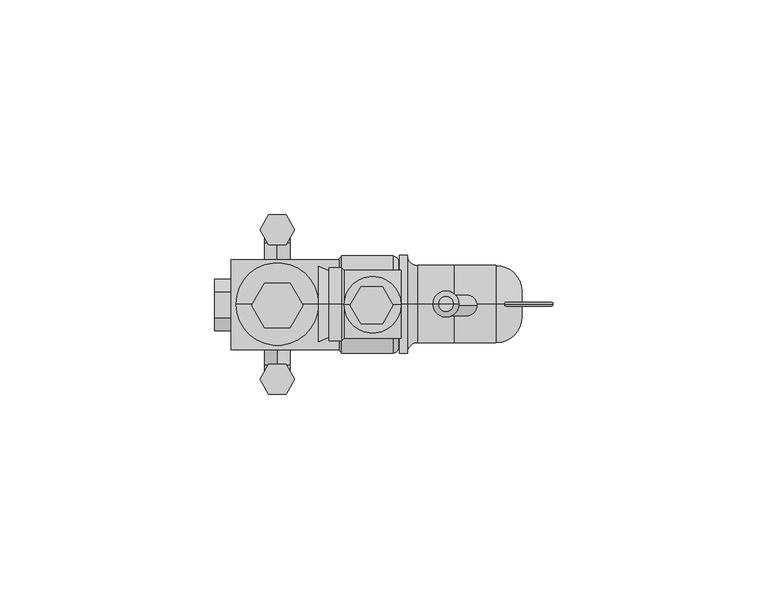
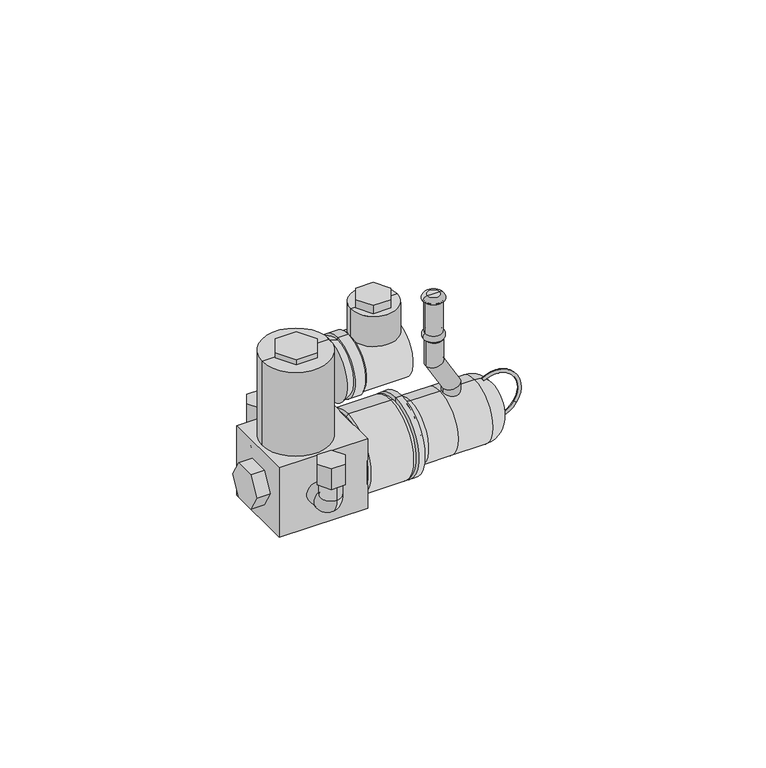
"""IFC4 building model written with IfcOpenShell, lengths in millimetres: proxy geometry."""

from ifc_helpers import new_model, si_unit, point, frame, origin, place, context, project, spatial, polyline, circle_curve, ellipse_curve, trimmed, outline, extrude, source, transform, mapped, element, save
from ifc_brep_helpers import plane_surface, cylinder_surface, revolved_surface, advanced_brep


def specialty_equipment_60c017ea(model_context):
    return source(origin(), model_context, "Body", "SolidModel", [
        extrude(outline(polyline([(-32.5479454, -17.3680626), (-30.5272194, -13.8680626), (-26.4857676, -13.8680626), (-24.4650416, -17.3680626), (-26.4857676, -20.8680626), (-30.5272194, -20.8680626), (-32.5479454, -17.3680626)])), frame((0.0, 0.0, 18.5529627), z_axis=(0.0, 0.0, 1.0), x_axis=(1.0, 0.0, 0.0)), (0.0, 0.0, 1.0), 6.2413137),
        extrude(outline(polyline([(-32.5479454, 17.4924919), (-30.5272194, 20.9924919), (-26.4857676, 20.9924919), (-24.4650416, 17.4924919), (-26.4857676, 13.9924919), (-30.5272194, 13.9924919), (-32.5479454, 17.4924919)])), frame((0.0, 0.0, 15.6549931), z_axis=(0.0, 0.0, 1.0), x_axis=(1.0, 0.0, 0.0)), (0.0, 0.0, 1.0), 6.2413137),
        extrude(outline(polyline([(-9.0330763, 4.173877), (-4.0330763, 4.173877), (-1.5330763, -0.15625), (-4.0330763, -4.486377), (-9.0330763, -4.486377), (-11.5330763, -0.15625), (-9.0330763, 4.173877)])), frame((0.0, 0.0, 54.2051542), z_axis=(0.0, 0.0, 1.0), x_axis=(1.0, 0.0, 0.0)), (0.0, 0.0, 1.0), 2.4348458),
        extrude(outline(polyline([(-22.5064935, -0.15625), (-25.5064935, -5.3524024), (-31.5064935, -5.3524024), (-34.5064935, -0.15625), (-31.505854, 5.0399024), (-25.5071331, 5.0399024), (-22.5064935, -0.15625)])), frame((0.0, 0.0, 47.1168831), z_axis=(0.0, 0.0, 1.0), x_axis=(1.0, 0.0, 0.0)), (0.0, 0.0, 1.0), 1.5123129),
        extrude(outline(polyline([(-3.0, 6.1936609), (-6.0, 11.3898133), (-3.0, 16.5859657), (3.0, 16.5859657), (6.0, 11.3898133), (3.0, 6.1936609), (-3.0, 6.1936609)])), frame((-43.1540289, 0.0, 0.0), z_axis=(1.0, 0.0, 0.0), x_axis=(0.0, 1.0, 0.0)), (0.0, 0.0, 1.0), 3.8293535),
        advanced_brep(
        [(13.2181818, -0.1588474, 37.3506494), (8.4181818, -0.1588474, 37.3506494), (13.2181818, -0.1588474, 30.9373355), (8.4181818, -0.1588474, 29.6494801), (18.0279123, -0.1588474, 22.6193309), (13.2279123, -0.1588474, 21.3314756), (18.0279123, -0.1588474, 18.6593602), (13.2279123, -0.1588474, 18.6593602)],
        [
            (0, 1, circle_curve(frame((10.8181818, -0.1588474, 37.3506494), z_axis=(0.0, 0.0, 1.0), x_axis=(-1.0, 0.0, 0.0)), 2.4)),
            (1, 0, circle_curve(frame((10.8181818, -0.1588474, 37.3506494), z_axis=(0.0, 0.0, 1.0), x_axis=(-1.0, 0.0, 0.0)), 2.4)),
            (0, 2),
            (2, 3, ellipse_curve(frame((10.8181818, -0.1588474, 30.2934078), z_axis=(-0.2591380354317783, 0.0, 0.9658402966290849), x_axis=(0.965840296629085, 0.0, 0.25913803543177716)), 2.4848829, 2.4)),
            (3, 1),
            (3, 2, ellipse_curve(frame((10.8181818, -0.1588474, 30.2934078), z_axis=(-0.2591380354317783, 0.0, 0.9658402966290849), x_axis=(0.965840296629085, 0.0, 0.25913803543177716)), 2.4848829, 2.4)),
            (2, 4),
            (4, 5, ellipse_curve(frame((15.6279123, -0.1588474, 21.9754033), z_axis=(-0.2591380354317785, 0.0, 0.9658402966290847), x_axis=(-0.9658402966290848, 0.0, -0.2591380354317782)), 2.4848829, 2.4)),
            (5, 3),
            (5, 4, ellipse_curve(frame((15.6279123, -0.1588474, 21.9754033), z_axis=(-0.2591380354317785, 0.0, 0.9658402966290847), x_axis=(-0.9658402966290848, 0.0, -0.2591380354317782)), 2.4848829, 2.4)),
            (6, 7, circle_curve(frame((15.6279123, -0.1588474, 18.6593602), z_axis=(0.0, 0.0, -1.0), x_axis=(-1.0, 0.0, 0.0)), 2.4)),
            (7, 6, circle_curve(frame((15.6279123, -0.1588474, 18.6593602), z_axis=(0.0, 0.0, -1.0), x_axis=(-1.0, 0.0, 0.0)), 2.4)),
            (4, 6),
            (7, 5),
        ],
        [
            plane_surface(frame((10.8181818, -0.1588474, 37.3506494), z_axis=(0.0, 0.0, 1.0), x_axis=(0.0, 1.0, 0.0))),
            cylinder_surface(frame((10.8181818, -0.1588474, 37.3506494), z_axis=(0.0, 0.0, 1.0), x_axis=(-1.0, 0.0, 0.0)), 2.4),
            cylinder_surface(frame((10.8181818, -0.1588474, 30.2934078), z_axis=(-0.5005719140186127, 0.0, 0.8656949571851177), x_axis=(-0.8656949571851177, 0.0, -0.5005719140186127)), 2.4),
            plane_surface(frame((15.6279123, -0.1588474, 18.6593602), z_axis=(0.0, 0.0, -1.0), x_axis=(0.0, 1.0, 0.0))),
            cylinder_surface(frame((15.6279123, -0.1588474, 21.9754033), z_axis=(0.0, 0.0, 1.0), x_axis=(-1.0, 0.0, 0.0)), 2.4),
        ],
        [
            (0, [[1, 2]]),
            (1, [[-1, 3, 4, 5]]),
            (1, [[-2, -5, 6, -3]]),
            (2, [[-4, 7, 8, 9]]),
            (2, [[-6, -9, 10, -7]]),
            (3, [[11, 12]]),
            (4, [[-8, 13, -12, 14]]),
            (4, [[-10, -14, -11, -13]]),
        ],
    ),
        advanced_brep(
        [(13.2207792, 0.15625, 39.1688312), (8.4155844, 0.15625, 39.1688312), (8.4155844, 0.15625, 37.3506494), (13.2207792, 0.15625, 37.3506494), (13.2207792, 0.15625, 48.5714286), (8.4155844, 0.15625, 48.5714286), (13.8441558, 0.15625, 49.1948052), (7.7922078, 0.15625, 49.1948052), (12.6233766, 0.15625, 50.4155844), (9.012987, 0.15625, 50.4155844), (10.8181818, 0.15625, 50.4155844), (10.8181818, 0.15625, 37.3506494)],
        [
            (0, 1, circle_curve(frame((10.8181818, 0.15625, 39.1688312), z_axis=(0.0, 0.0, -1.0), x_axis=(-1.0, 0.0, 0.0)), 2.4025974)),
            (1, 2, circle_curve(frame((8.8306192, 0.15625, 38.2597403), z_axis=(0.0, -1.0, 0.0), x_axis=(-1.0, 0.0, 0.0)), 0.9993499)),
            (2, 3, circle_curve(frame((10.8181818, 0.15625, 37.3506494), z_axis=(0.0, 0.0, 1.0), x_axis=(-1.0, 0.0, 0.0)), 2.4025974)),
            (3, 0, circle_curve(frame((12.8057444, 0.15625, 38.2597403), z_axis=(0.0, -1.0, 0.0), x_axis=(1.0, 0.0, 0.0)), 0.9993499)),
            (1, 0, circle_curve(frame((10.8181818, 0.15625, 39.1688312), z_axis=(0.0, 0.0, -1.0), x_axis=(-1.0, 0.0, 0.0)), 2.4025974)),
            (3, 2, circle_curve(frame((10.8181818, 0.15625, 37.3506494), z_axis=(0.0, 0.0, 1.0), x_axis=(-1.0, 0.0, 0.0)), 2.4025974)),
            (4, 5, circle_curve(frame((10.8181818, 0.15625, 48.5714286), z_axis=(0.0, 0.0, -1.0), x_axis=(-1.0, 0.0, 0.0)), 2.4025974)),
            (5, 1),
            (0, 4),
            (5, 4, circle_curve(frame((10.8181818, 0.15625, 48.5714286), z_axis=(0.0, 0.0, -1.0), x_axis=(-1.0, 0.0, 0.0)), 2.4025974)),
            (6, 7, circle_curve(frame((10.8181818, 0.15625, 49.1948052), z_axis=(0.0, 0.0, -1.0), x_axis=(-1.0, 0.0, 0.0)), 3.025974)),
            (7, 5, circle_curve(frame((7.7922078, 0.15625, 48.5714286), z_axis=(0.0, 1.0, 0.0), x_axis=(-1.0, 0.0, 0.0)), 0.6233766)),
            (4, 6, circle_curve(frame((13.8441558, 0.15625, 48.5714286), z_axis=(0.0, 1.0, 0.0), x_axis=(1.0, 0.0, 0.0)), 0.6233766)),
            (7, 6, circle_curve(frame((10.8181818, 0.15625, 49.1948052), z_axis=(0.0, 0.0, -1.0), x_axis=(-1.0, 0.0, 0.0)), 3.025974)),
            (8, 9, circle_curve(frame((10.8181818, 0.15625, 50.4155844), z_axis=(0.0, 0.0, -1.0), x_axis=(-1.0, 0.0, 0.0)), 1.8051948)),
            (9, 7, circle_curve(frame((9.012987, 0.15625, 49.1948052), z_axis=(0.0, -1.0, 0.0), x_axis=(-1.0, 0.0, 0.0)), 1.2207792)),
            (6, 8, circle_curve(frame((12.6233766, 0.15625, 49.1948052), z_axis=(0.0, -1.0, 0.0), x_axis=(1.0, 0.0, 0.0)), 1.2207792)),
            (9, 8, circle_curve(frame((10.8181818, 0.15625, 50.4155844), z_axis=(0.0, 0.0, -1.0), x_axis=(-1.0, 0.0, 0.0)), 1.8051948)),
            (10, 9),
            (8, 10),
            (2, 11),
            (11, 3),
        ],
        [
            revolved_surface(trimmed(ellipse_curve(frame((8.8306192, 0.15625, 38.2597403), z_axis=(0.0, 1.0, 0.0), x_axis=(-1.0, 0.0, 0.0)), 0.9993499, 0.9993499), [point((8.4155844, 0.15625, 37.3506494))], [point((8.4155844, 0.15625, 39.1688312))], True, "CARTESIAN"), (10.8181818, 0.15625, 37.3506494), (0.0, 0.0, 1.0)),
            cylinder_surface(frame((10.8181818, 0.15625, 37.3506494), z_axis=(0.0, 0.0, 1.0), x_axis=(-1.0, 0.0, 0.0)), 2.4025974),
            revolved_surface(trimmed(ellipse_curve(frame((7.7922078, 0.15625, 48.5714286), z_axis=(0.0, -1.0, 0.0), x_axis=(-1.0, 0.0, 0.0)), 0.6233766, 0.6233766), [point((8.4155844, 0.15625, 48.5714286))], [point((7.7922078, 0.15625, 49.1948052))], True, "CARTESIAN"), (10.8181818, 0.15625, 37.3506494), (0.0, 0.0, 1.0)),
            revolved_surface(trimmed(ellipse_curve(frame((9.012987, 0.15625, 49.1948052), z_axis=(0.0, 1.0, 0.0), x_axis=(-1.0, 0.0, 0.0)), 1.2207792, 1.2207792), [point((7.7922078, 0.15625, 49.1948052))], [point((9.012987, 0.15625, 50.4155844))], True, "CARTESIAN"), (10.8181818, 0.15625, 37.3506494), (0.0, 0.0, 1.0)),
            plane_surface(frame((10.8181818, 0.15625, 50.4155844), z_axis=(0.0, 0.0, 1.0), x_axis=(-1.0, 0.0, 0.0))),
            plane_surface(frame((10.8181818, 0.15625, 37.3506494), z_axis=(0.0, 0.0, -1.0), x_axis=(-1.0, 0.0, 0.0))),
        ],
        [
            (0, [[1, 2, 3, 4]]),
            (0, [[5, -4, 6, -2]]),
            (1, [[7, 8, -1, 9]]),
            (1, [[10, -9, -5, -8]]),
            (2, [[11, 12, -7, 13]]),
            (2, [[14, -13, -10, -12]]),
            (3, [[15, 16, -11, 17]]),
            (3, [[18, -17, -14, -16]]),
            (4, [[19, -15, 20]]),
            (4, [[-20, -18, -19]]),
            (5, [[-3, 21, 22]]),
            (5, [[-6, -22, -21]]),
        ],
    ),
        advanced_brep(
        [(28.168646, 0.1551425, 7.3455686), (28.1321024, 0.1551425, 6.4463108), (34.4126442, 0.1551425, 9.5241237), (33.6795583, 0.1551425, 10.0462204), (25.012063, 0.1551425, 19.2478471), (24.534685, 0.1551425, 20.0108087)],
        [
            (0, 1, circle_curve(frame((28.1503742, 0.1551425, 6.8959397), z_axis=(-0.9991753181997112, 0.0, 0.04060398380092528), x_axis=(-0.04060398380092528, 0.0, -0.9991753181997112)), 0.45)),
            (1, 0, circle_curve(frame((28.1503742, 0.1551425, 6.8959397), z_axis=(-0.9991753181997112, 0.0, 0.04060398380092528), x_axis=(-0.04060398380092528, 0.0, -0.9991753181997112)), 0.45)),
            (2, 1, circle_curve(frame((28.4303154, 0.1551425, 13.7846808), z_axis=(0.0, 1.0, 0.0), x_axis=(-0.0406039838009286, 0.0, -0.9991753181997111)), 7.3444268)),
            (0, 3, circle_curve(frame((28.4303154, 0.1551425, 13.7846808), z_axis=(0.0, -1.0, 0.0), x_axis=(-0.0406039838009286, 0.0, -0.9991753181997111)), 6.4444268)),
            (3, 2, circle_curve(frame((34.0461013, 0.1551425, 9.7851721), z_axis=(-0.5801074994678028, 0.0, -0.8145399247803713), x_axis=(0.8145399247803713, 0.0, -0.5801074994678028)), 0.45)),
            (2, 3, circle_curve(frame((34.0461013, 0.1551425, 9.7851721), z_axis=(-0.5801074994678023, 0.0, -0.8145399247803716), x_axis=(0.8145399247803716, 0.0, -0.5801074994678023)), 0.45)),
            (4, 5, circle_curve(frame((24.773374, 0.1551425, 19.6293279), z_axis=(-0.8477350382400716, 0.0, -0.5304199326383807), x_axis=(-0.5304199326383807, 0.0, 0.8477350382400716)), 0.45)),
            (5, 4, circle_curve(frame((24.773374, 0.1551425, 19.6293279), z_axis=(-0.8477350382400716, 0.0, -0.5304199326383807), x_axis=(-0.5304199326383807, 0.0, 0.8477350382400716)), 0.45)),
            (5, 2, circle_curve(frame((28.4303154, 0.1551425, 13.7846808), z_axis=(0.0, 1.0, 0.0), x_axis=(0.8145399247803722, 0.0, -0.5801074994678017)), 7.3444268)),
            (3, 4, circle_curve(frame((28.4303154, 0.1551425, 13.7846808), z_axis=(0.0, -1.0, 0.0), x_axis=(0.8145399247803722, 0.0, -0.5801074994678017)), 6.4444268)),
        ],
        [
            plane_surface(frame((28.1503742, 0.1551425, 6.8959397), z_axis=(-0.9991753181997112, 0.0, 0.04060398380092873), x_axis=(0.0, 1.0, 0.0))),
            revolved_surface(trimmed(ellipse_curve(frame((28.1503742, 0.1551425, 6.8959397), z_axis=(-0.9991753181997112, 0.0, 0.04060398380092528), x_axis=(-0.04060398380092528, 0.0, -0.9991753181997112)), 0.45, 0.45), [point((28.168646, 0.1551425, 7.3455686))], [point((28.1321024, 0.1551425, 6.4463108))], True, "CARTESIAN"), (28.4303154, 0.1551425, 13.7846808), (0.0, -1.0, 0.0)),
            revolved_surface(trimmed(ellipse_curve(frame((28.1503742, 0.1551425, 6.8959397), z_axis=(-0.9991753181997112, 0.0, 0.04060398380092528), x_axis=(-0.04060398380092528, 0.0, -0.9991753181997112)), 0.45, 0.45), [point((28.1321024, 0.1551425, 6.4463108))], [point((28.168646, 0.1551425, 7.3455686))], True, "CARTESIAN"), (28.4303154, 0.1551425, 13.7846808), (0.0, -1.0, 0.0)),
            plane_surface(frame((24.773374, 0.1551425, 19.6293279), z_axis=(-0.8477350382400735, 0.0, -0.5304199326383778), x_axis=(0.0, 1.0, 0.0))),
            revolved_surface(trimmed(ellipse_curve(frame((34.0461013, 0.1551425, 9.7851721), z_axis=(-0.580107499467799, 0.0, -0.8145399247803741), x_axis=(0.8145399247803741, 0.0, -0.580107499467799)), 0.45, 0.45), [point((33.6795583, 0.1551425, 10.0462204))], [point((34.4126442, 0.1551425, 9.5241237))], True, "CARTESIAN"), (28.4303154, 0.1551425, 13.7846808), (0.0, -1.0, 0.0)),
            revolved_surface(trimmed(ellipse_curve(frame((34.0461013, 0.1551425, 9.7851721), z_axis=(-0.580107499467799, 0.0, -0.8145399247803741), x_axis=(0.8145399247803741, 0.0, -0.580107499467799)), 0.45, 0.45), [point((34.4126442, 0.1551425, 9.5241237))], [point((33.6795583, 0.1551425, 10.0462204))], True, "CARTESIAN"), (28.4303154, 0.1551425, 13.7846808), (0.0, -1.0, 0.0)),
        ],
        [
            (0, [[1, 2]]),
            (1, [[3, -1, 4, 5]]),
            (2, [[-4, -2, -3, 6]]),
            (3, [[7, 8]]),
            (4, [[9, -5, 10, -8]]),
            (5, [[-10, -6, -9, -7]]),
        ],
    ),
        advanced_brep(
        [(-28.5064935, 10.5180601, 5.0451108), (-28.5064935, 10.5180601, 11.0451108), (-28.5064935, 14.2913844, 5.0451108), (-28.5064935, 14.2913844, 11.0451108), (-28.5064935, 14.4913844, 11.2451108), (-28.5064935, 20.4913844, 11.2451108), (-28.5064935, 20.4913844, 15.6549931), (-28.5064935, 14.4913844, 15.6549931)],
        [
            (0, 1, circle_curve(frame((-28.5064935, 10.5180601, 8.0451108), z_axis=(0.0, -1.0, 0.0), x_axis=(0.0, 0.0, 1.0)), 3.0)),
            (1, 0, circle_curve(frame((-28.5064935, 10.5180601, 8.0451108), z_axis=(0.0, -1.0, 0.0), x_axis=(0.0, 0.0, 1.0)), 3.0)),
            (0, 2),
            (2, 3, circle_curve(frame((-28.5064935, 14.2913844, 8.0451108), z_axis=(0.0, -1.0, 0.0), x_axis=(0.0, 0.0, 1.0)), 3.0)),
            (3, 1),
            (3, 2, circle_curve(frame((-28.5064935, 14.2913844, 8.0451108), z_axis=(0.0, -1.0, 0.0), x_axis=(0.0, 0.0, 1.0)), 3.0)),
            (4, 3, circle_curve(frame((-28.5064935, 14.2913844, 11.2451108), z_axis=(-1.0, 0.0, 0.0), x_axis=(0.0, 0.0, -1.0)), 0.2)),
            (2, 5, circle_curve(frame((-28.5064935, 14.2913844, 11.2451108), z_axis=(1.0, 0.0, 0.0), x_axis=(0.0, 0.0, -1.0)), 6.2)),
            (5, 4, circle_curve(frame((-28.5064935, 17.4913844, 11.2451108), z_axis=(0.0, 0.0, -1.0), x_axis=(0.0, -1.0, 0.0)), 3.0)),
            (4, 5, circle_curve(frame((-28.5064935, 17.4913844, 11.2451108), z_axis=(0.0, 0.0, -1.0), x_axis=(0.0, -1.0, 0.0)), 3.0)),
            (6, 7, circle_curve(frame((-28.5064935, 17.4913844, 15.6549931), z_axis=(0.0, 0.0, 1.0), x_axis=(0.0, -1.0, 0.0)), 3.0)),
            (7, 6, circle_curve(frame((-28.5064935, 17.4913844, 15.6549931), z_axis=(0.0, 0.0, 1.0), x_axis=(0.0, -1.0, 0.0)), 3.0)),
            (5, 6),
            (7, 4),
        ],
        [
            plane_surface(frame((-28.5064935, 10.5180601, 8.0451108), z_axis=(0.0, -1.0, 0.0), x_axis=(1.0, 0.0, 0.0))),
            cylinder_surface(frame((-28.5064935, 10.5180601, 8.0451108), z_axis=(0.0, -1.0, 0.0), x_axis=(0.0, 0.0, 1.0)), 3.0),
            revolved_surface(trimmed(ellipse_curve(frame((-28.5064935, 14.2913844, 8.0451108), z_axis=(0.0, -1.0, 0.0), x_axis=(0.0, 0.0, 1.0)), 3.0, 3.0), [point((-28.5064935, 14.2913844, 5.0451108))], [point((-28.5064935, 14.2913844, 11.0451108))], True, "CARTESIAN"), (-28.5064935, 14.2913844, 11.2451108), (1.0, 0.0, 0.0)),
            revolved_surface(trimmed(ellipse_curve(frame((-28.5064935, 14.2913844, 8.0451108), z_axis=(0.0, -1.0, 0.0), x_axis=(0.0, 0.0, 1.0)), 3.0, 3.0), [point((-28.5064935, 14.2913844, 11.0451108))], [point((-28.5064935, 14.2913844, 5.0451108))], True, "CARTESIAN"), (-28.5064935, 14.2913844, 11.2451108), (1.0, 0.0, 0.0)),
            plane_surface(frame((-28.5064935, 17.4913844, 15.6549931), z_axis=(0.0, 0.0, 1.0), x_axis=(1.0, 0.0, 0.0))),
            cylinder_surface(frame((-28.5064935, 17.4913844, 11.2451108), z_axis=(0.0, 0.0, -1.0), x_axis=(0.0, -1.0, 0.0)), 3.0),
        ],
        [
            (0, [[1, 2]]),
            (1, [[-1, 3, 4, 5]]),
            (1, [[-2, -5, 6, -3]]),
            (2, [[7, -4, 8, 9]]),
            (3, [[-8, -6, -7, 10]]),
            (4, [[11, 12]]),
            (5, [[-9, 13, -12, 14]]),
            (5, [[-10, -14, -11, -13]]),
        ],
    ),
        advanced_brep(
        [(-28.5194805, -10.5180601, 13.9430804), (-28.5194805, -10.5180601, 7.9430804), (-28.5194805, -13.9810994, 7.9430804), (-28.5194805, -13.9810994, 13.9430804), (-28.5194805, -14.1810994, 14.1430804), (-28.5194805, -20.1810994, 14.1430804), (-28.5194805, -14.1810994, 18.5529627), (-28.5194805, -20.1810994, 18.5529627)],
        [
            (0, 1, circle_curve(frame((-28.5194805, -10.5180601, 10.9430804), z_axis=(0.0, 1.0, 0.0), x_axis=(0.0, 0.0, -1.0)), 3.0)),
            (1, 0, circle_curve(frame((-28.5194805, -10.5180601, 10.9430804), z_axis=(0.0, 1.0, 0.0), x_axis=(0.0, 0.0, -1.0)), 3.0)),
            (1, 2),
            (2, 3, circle_curve(frame((-28.5194805, -13.9810994, 10.9430804), z_axis=(0.0, 1.0, 0.0), x_axis=(0.0, 0.0, -1.0)), 3.0)),
            (3, 0),
            (3, 2, circle_curve(frame((-28.5194805, -13.9810994, 10.9430804), z_axis=(0.0, 1.0, 0.0), x_axis=(0.0, 0.0, -1.0)), 3.0)),
            (4, 3, circle_curve(frame((-28.5194805, -13.9810994, 14.1430804), z_axis=(1.0, 0.0, 0.0), x_axis=(0.0, 0.0, -1.0)), 0.2)),
            (2, 5, circle_curve(frame((-28.5194805, -13.9810994, 14.1430804), z_axis=(-1.0, 0.0, 0.0), x_axis=(0.0, 0.0, -1.0)), 6.2)),
            (5, 4, circle_curve(frame((-28.5194805, -17.1810994, 14.1430804), z_axis=(0.0, 0.0, -1.0), x_axis=(0.0, -1.0, 0.0)), 3.0)),
            (4, 5, circle_curve(frame((-28.5194805, -17.1810994, 14.1430804), z_axis=(0.0, 0.0, -1.0), x_axis=(0.0, -1.0, 0.0)), 3.0)),
            (6, 7, circle_curve(frame((-28.5194805, -17.1810994, 18.5529627), z_axis=(0.0, 0.0, 1.0), x_axis=(0.0, -1.0, 0.0)), 3.0)),
            (7, 6, circle_curve(frame((-28.5194805, -17.1810994, 18.5529627), z_axis=(0.0, 0.0, 1.0), x_axis=(0.0, -1.0, 0.0)), 3.0)),
            (5, 7),
            (6, 4),
        ],
        [
            plane_surface(frame((-28.5194805, -10.5180601, 10.9430804), z_axis=(0.0, 1.0, 0.0), x_axis=(1.0, 0.0, 0.0))),
            cylinder_surface(frame((-28.5194805, -10.5180601, 10.9430804), z_axis=(0.0, 1.0, 0.0), x_axis=(0.0, 0.0, -1.0)), 3.0),
            revolved_surface(trimmed(ellipse_curve(frame((-28.5194805, -13.9810994, 10.9430804), z_axis=(0.0, 1.0, 0.0), x_axis=(0.0, 0.0, -1.0)), 3.0, 3.0), [point((-28.5194805, -13.9810994, 7.9430804))], [point((-28.5194805, -13.9810994, 13.9430804))], True, "CARTESIAN"), (-28.5194805, -13.9810994, 14.1430804), (-1.0, 0.0, 0.0)),
            revolved_surface(trimmed(ellipse_curve(frame((-28.5194805, -13.9810994, 10.9430804), z_axis=(0.0, 1.0, 0.0), x_axis=(0.0, 0.0, -1.0)), 3.0, 3.0), [point((-28.5194805, -13.9810994, 13.9430804))], [point((-28.5194805, -13.9810994, 7.9430804))], True, "CARTESIAN"), (-28.5194805, -13.9810994, 14.1430804), (-1.0, 0.0, 0.0)),
            plane_surface(frame((-28.5194805, -17.1810994, 18.5529627), z_axis=(0.0, 0.0, 1.0), x_axis=(1.0, 0.0, 0.0))),
            cylinder_surface(frame((-28.5194805, -17.1810994, 14.1430804), z_axis=(0.0, 0.0, -1.0), x_axis=(0.0, -1.0, 0.0)), 3.0),
        ],
        [
            (0, [[1, 2]]),
            (1, [[-2, 3, 4, 5]]),
            (1, [[-1, -5, 6, -3]]),
            (2, [[7, -4, 8, 9]]),
            (3, [[-8, -6, -7, 10]]),
            (4, [[11, 12]]),
            (5, [[-9, 13, -11, 14]]),
            (5, [[-10, -14, -12, -13]]),
        ],
    ),
        advanced_brep(
        [(0.3116883, 0.0, 54.2051542), (-12.9090909, 0.0, 54.2051542), (-12.9090909, 0.0, 45.1921672), (0.3116883, 0.0, 45.1921672), (-6.2987013, 0.0, 54.2051542), (-6.2987013, 0.0, 45.1921672)],
        [
            (0, 1, circle_curve(frame((-6.2987013, 0.0, 54.2051542), z_axis=(0.0, 0.0, -1.0), x_axis=(-1.0, 0.0, 0.0)), 6.6103896)),
            (1, 2),
            (2, 3, circle_curve(frame((-6.2987013, 0.0, 45.1921672), z_axis=(0.0, 0.0, 1.0), x_axis=(-1.0, 0.0, 0.0)), 6.6103896)),
            (3, 0),
            (1, 0, circle_curve(frame((-6.2987013, 0.0, 54.2051542), z_axis=(0.0, 0.0, -1.0), x_axis=(-1.0, 0.0, 0.0)), 6.6103896)),
            (3, 2, circle_curve(frame((-6.2987013, 0.0, 45.1921672), z_axis=(0.0, 0.0, 1.0), x_axis=(-1.0, 0.0, 0.0)), 6.6103896)),
            (4, 1),
            (0, 4),
            (2, 5),
            (5, 3),
        ],
        [
            cylinder_surface(frame((-6.2987013, 0.0, 45.1921672), z_axis=(0.0, 0.0, 1.0), x_axis=(-1.0, 0.0, 0.0)), 6.6103896),
            plane_surface(frame((-6.2987013, 0.0, 54.2051542), z_axis=(0.0, 0.0, 1.0), x_axis=(-1.0, 0.0, 0.0))),
            plane_surface(frame((-6.2987013, 0.0, 45.1921672), z_axis=(0.0, 0.0, -1.0), x_axis=(-1.0, 0.0, 0.0))),
        ],
        [
            (0, [[1, 2, 3, 4]]),
            (0, [[5, -4, 6, -2]]),
            (1, [[7, -1, 8]]),
            (1, [[-8, -5, -7]]),
            (2, [[-3, 9, 10]]),
            (2, [[-6, -10, -9]]),
        ],
    ),
        advanced_brep(
        [(-18.9090909, 0.15625, 29.2203734), (-18.9090909, 0.15625, 46.9606331), (-18.9090909, 0.15625, 38.0905032), (-16.4935065, 0.15625, 30.3189314), (-16.4935065, 0.15625, 45.8620751), (-16.4935065, 0.15625, 29.5320617), (-16.4935065, 0.15625, 46.6489448), (-13.5064935, 0.15625, 29.5320617), (-13.5064935, 0.15625, 46.6489448), (-12.9090909, 0.15625, 30.1294643), (-12.9090909, 0.15625, 46.0515422), (0.3116883, 0.15625, 30.1294643), (0.3116883, 0.15625, 46.0515422), (0.3116883, 0.15625, 38.0905032)],
        [
            (0, 1, circle_curve(frame((-18.9090909, 0.15625, 38.0905032), z_axis=(-1.0, 0.0, 0.0), x_axis=(0.0, 0.0, 1.0)), 8.8701299)),
            (1, 2),
            (2, 0),
            (1, 0, circle_curve(frame((-18.9090909, 0.15625, 38.0905032), z_axis=(-1.0, 0.0, 0.0), x_axis=(0.0, 0.0, 1.0)), 8.8701299)),
            (3, 4, circle_curve(frame((-16.4935065, 0.15625, 38.0905032), z_axis=(-1.0, 0.0, 0.0), x_axis=(0.0, 0.0, 1.0)), 7.7715718)),
            (4, 1),
            (0, 3),
            (4, 3, circle_curve(frame((-16.4935065, 0.15625, 38.0905032), z_axis=(-1.0, 0.0, 0.0), x_axis=(0.0, 0.0, 1.0)), 7.7715718)),
            (5, 6, circle_curve(frame((-16.4935065, 0.15625, 38.0905032), z_axis=(-1.0, 0.0, 0.0), x_axis=(0.0, 0.0, 1.0)), 8.5584416)),
            (6, 4),
            (3, 5),
            (6, 5, circle_curve(frame((-16.4935065, 0.15625, 38.0905032), z_axis=(-1.0, 0.0, 0.0), x_axis=(0.0, 0.0, 1.0)), 8.5584416)),
            (7, 8, circle_curve(frame((-13.5064935, 0.15625, 38.0905032), z_axis=(-1.0, 0.0, 0.0), x_axis=(0.0, 0.0, 1.0)), 8.5584416)),
            (8, 6),
            (5, 7),
            (8, 7, circle_curve(frame((-13.5064935, 0.15625, 38.0905032), z_axis=(-1.0, 0.0, 0.0), x_axis=(0.0, 0.0, 1.0)), 8.5584416)),
            (9, 10, circle_curve(frame((-12.9090909, 0.15625, 38.0905032), z_axis=(-1.0, 0.0, 0.0), x_axis=(0.0, 0.0, 1.0)), 7.961039)),
            (10, 8),
            (7, 9),
            (10, 9, circle_curve(frame((-12.9090909, 0.15625, 38.0905032), z_axis=(-1.0, 0.0, 0.0), x_axis=(0.0, 0.0, 1.0)), 7.961039)),
            (11, 12, circle_curve(frame((0.3116883, 0.15625, 38.0905032), z_axis=(-1.0, 0.0, 0.0), x_axis=(0.0, 0.0, 1.0)), 7.961039)),
            (12, 10),
            (9, 11),
            (12, 11, circle_curve(frame((0.3116883, 0.15625, 38.0905032), z_axis=(-1.0, 0.0, 0.0), x_axis=(0.0, 0.0, 1.0)), 7.961039)),
            (13, 12),
            (11, 13),
        ],
        [
            plane_surface(frame((-18.9090909, 0.15625, 38.0905032), z_axis=(-1.0, 0.0, 0.0), x_axis=(0.0, 0.0, 1.0))),
            revolved_surface(polyline([(-18.9090909, 0.15625, 46.9606331), (-16.4935065, 0.15625, 45.8620751)]), (-18.9090909, 0.15625, 38.0905032), (1.0, 0.0, 0.0)),
            plane_surface(frame((-16.4935065, 0.15625, 38.0905032), z_axis=(-1.0, 0.0, 0.0), x_axis=(0.0, 0.0, 1.0))),
            cylinder_surface(frame((-18.9090909, 0.15625, 38.0905032), z_axis=(1.0, 0.0, 0.0), x_axis=(0.0, 0.0, 1.0)), 8.5584416),
            revolved_surface(polyline([(-13.5064935, 0.15625, 46.6489448), (-12.9090909, 0.15625, 46.0515422)]), (-18.9090909, 0.15625, 38.0905032), (1.0, 0.0, 0.0)),
            cylinder_surface(frame((-18.9090909, 0.15625, 38.0905032), z_axis=(1.0, 0.0, 0.0), x_axis=(0.0, 0.0, 1.0)), 7.961039),
            plane_surface(frame((0.3116883, 0.15625, 38.0905032), z_axis=(1.0, 0.0, 0.0), x_axis=(0.0, 0.0, 1.0))),
        ],
        [
            (0, [[1, 2, 3]]),
            (0, [[4, -3, -2]]),
            (1, [[5, 6, -1, 7]]),
            (1, [[8, -7, -4, -6]]),
            (2, [[9, 10, -5, 11]]),
            (2, [[12, -11, -8, -10]]),
            (3, [[13, 14, -9, 15]]),
            (3, [[16, -15, -12, -14]]),
            (4, [[17, 18, -13, 19]]),
            (4, [[20, -19, -16, -18]]),
            (5, [[21, 22, -17, 23]]),
            (5, [[24, -23, -20, -22]]),
            (6, [[25, -21, 26]]),
            (6, [[-26, -24, -25]]),
        ],
    ),
        advanced_brep(
        [(-18.9090909, 0.1403775, 47.1168831), (-38.1298701, 0.1403775, 47.1168831), (-38.1298701, 0.1403775, 21.8419304), (-18.9090909, 0.1403775, 21.8419304), (-28.5194805, 0.1403775, 47.1168831), (-28.5194805, 0.1403775, 21.8419304)],
        [
            (0, 1, circle_curve(frame((-28.5194805, 0.1403775, 47.1168831), z_axis=(0.0, 0.0, -1.0), x_axis=(-1.0, 0.0, 0.0)), 9.6103896)),
            (1, 2),
            (2, 3, circle_curve(frame((-28.5194805, 0.1403775, 21.8419304), z_axis=(0.0, 0.0, 1.0), x_axis=(-1.0, 0.0, 0.0)), 9.6103896)),
            (3, 0),
            (1, 0, circle_curve(frame((-28.5194805, 0.1403775, 47.1168831), z_axis=(0.0, 0.0, -1.0), x_axis=(-1.0, 0.0, 0.0)), 9.6103896)),
            (3, 2, circle_curve(frame((-28.5194805, 0.1403775, 21.8419304), z_axis=(0.0, 0.0, 1.0), x_axis=(-1.0, 0.0, 0.0)), 9.6103896)),
            (4, 1),
            (0, 4),
            (2, 5),
            (5, 3),
        ],
        [
            cylinder_surface(frame((-28.5194805, 0.1403775, 26.9005786), z_axis=(0.0, 0.0, 1.0), x_axis=(-1.0, 0.0, 0.0)), 9.6103896),
            plane_surface(frame((-28.5194805, 0.1403775, 47.1168831), z_axis=(0.0, 0.0, 1.0), x_axis=(-1.0, 0.0, 0.0))),
            plane_surface(frame((-28.5194805, 0.1403775, 21.8419304), z_axis=(0.0, 0.0, -1.0), x_axis=(-1.0, 0.0, 0.0))),
        ],
        [
            (0, [[1, 2, 3, 4]]),
            (0, [[5, -4, 6, -2]]),
            (1, [[7, -1, 8]]),
            (1, [[-8, -5, -7]]),
            (2, [[-3, 9, 10]]),
            (2, [[-6, -10, -9]]),
        ],
    ),
        advanced_brep(
        [(-0.0035094, 0.1551425, -0.0255682), (-0.0035094, 0.1551425, 22.8051948), (-0.0035094, 0.1551425, 11.3898133), (1.7886984, 0.1551425, -0.0255682), (1.7886984, 0.1551425, 22.8051948), (4.2042828, 0.1551425, 2.3900162), (4.2042828, 0.1551425, 20.3896104), (12.6198672, 0.1551425, 2.3900162), (12.6198672, 0.1551425, 20.3896104), (22.5159711, 0.1551425, 2.3900162), (22.5159711, 0.1551425, 20.3896104), (28.5159711, 0.1551425, 8.3900162), (28.5159711, 0.1551425, 14.3896104), (28.5159711, 0.1551425, 11.3898133)],
        [
            (0, 1, circle_curve(frame((-0.0035094, 0.1551425, 11.3898133), z_axis=(-1.0, 0.0, 0.0), x_axis=(0.0, 0.0, 1.0)), 11.4153815)),
            (1, 2),
            (2, 0),
            (1, 0, circle_curve(frame((-0.0035094, 0.1551425, 11.3898133), z_axis=(-1.0, 0.0, 0.0), x_axis=(0.0, 0.0, 1.0)), 11.4153815)),
            (3, 4, circle_curve(frame((1.7886984, 0.1551425, 11.3898133), z_axis=(-1.0, 0.0, 0.0), x_axis=(0.0, 0.0, 1.0)), 11.4153815)),
            (4, 1),
            (0, 3),
            (4, 3, circle_curve(frame((1.7886984, 0.1551425, 11.3898133), z_axis=(-1.0, 0.0, 0.0), x_axis=(0.0, 0.0, 1.0)), 11.4153815)),
            (5, 6, circle_curve(frame((4.2042828, 0.1551425, 11.3898133), z_axis=(-1.0, 0.0, 0.0), x_axis=(0.0, 0.0, 1.0)), 8.9997971)),
            (6, 4, circle_curve(frame((4.2042828, 0.1551425, 22.8051948), z_axis=(0.0, 1.0, 0.0), x_axis=(-1.0, 0.0, 0.0)), 2.4155844)),
            (3, 5, circle_curve(frame((4.2042828, 0.1551425, -0.0255682), z_axis=(0.0, 1.0, 0.0), x_axis=(-1.0, 0.0, 0.0)), 2.4155844)),
            (6, 5, circle_curve(frame((4.2042828, 0.1551425, 11.3898133), z_axis=(-1.0, 0.0, 0.0), x_axis=(0.0, 0.0, 1.0)), 8.9997971)),
            (7, 8, circle_curve(frame((12.6198672, 0.1551425, 11.3898133), z_axis=(-1.0, 0.0, 0.0), x_axis=(0.0, 0.0, 1.0)), 8.9997971)),
            (8, 6),
            (5, 7),
            (8, 7, circle_curve(frame((12.6198672, 0.1551425, 11.3898133), z_axis=(-1.0, 0.0, 0.0), x_axis=(0.0, 0.0, 1.0)), 8.9997971)),
            (9, 10, circle_curve(frame((22.5159711, 0.1551425, 11.3898133), z_axis=(-1.0, 0.0, 0.0), x_axis=(0.0, 0.0, 1.0)), 8.9997971)),
            (10, 8),
            (7, 9),
            (10, 9, circle_curve(frame((22.5159711, 0.1551425, 11.3898133), z_axis=(-1.0, 0.0, 0.0), x_axis=(0.0, 0.0, 1.0)), 8.9997971)),
            (11, 12, circle_curve(frame((28.5159711, 0.1551425, 11.3898133), z_axis=(-1.0, 0.0, 0.0), x_axis=(0.0, 0.0, 1.0)), 2.9997971)),
            (12, 10, circle_curve(frame((22.5300404, 0.1551425, 14.4036797), z_axis=(0.0, -1.0, 0.0), x_axis=(-1.0, 0.0, 0.0)), 5.9859473)),
            (9, 11, circle_curve(frame((22.5300404, 0.1551425, 8.375947), z_axis=(0.0, -1.0, 0.0), x_axis=(-1.0, 0.0, 0.0)), 5.9859473)),
            (12, 11, circle_curve(frame((28.5159711, 0.1551425, 11.3898133), z_axis=(-1.0, 0.0, 0.0), x_axis=(0.0, 0.0, 1.0)), 2.9997971)),
            (13, 12),
            (11, 13),
        ],
        [
            plane_surface(frame((-0.0035094, 0.1551425, 11.3898133), z_axis=(-1.0, 0.0, 0.0), x_axis=(0.0, 0.0, 1.0))),
            cylinder_surface(frame((0.0, 0.1551425, 11.3898133), z_axis=(1.0, 0.0, 0.0), x_axis=(0.0, 0.0, 1.0)), 11.4153815),
            revolved_surface(trimmed(ellipse_curve(frame((4.2042828, 0.1551425, 22.8051948), z_axis=(0.0, -1.0, 0.0), x_axis=(-1.0, 0.0, 0.0)), 2.4155844, 2.4155844), [point((1.7886984, 0.1551425, 22.8051948))], [point((4.2042828, 0.1551425, 20.3896104))], True, "CARTESIAN"), (0.0, 0.1551425, 11.3898133), (1.0, 0.0, 0.0)),
            cylinder_surface(frame((0.0, 0.1551425, 11.3898133), z_axis=(1.0, 0.0, 0.0), x_axis=(0.0, 0.0, 1.0)), 8.9997971),
            revolved_surface(trimmed(ellipse_curve(frame((22.5300404, 0.1551425, 14.4036797), z_axis=(0.0, 1.0, 0.0), x_axis=(-1.0, 0.0, 0.0)), 5.9859473, 5.9859473), [point((22.5159711, 0.1551425, 20.3896104))], [point((28.5159711, 0.1551425, 14.3896104))], True, "CARTESIAN"), (0.0, 0.1551425, 11.3898133), (1.0, 0.0, 0.0)),
            plane_surface(frame((28.5159711, 0.1551425, 11.3898133), z_axis=(1.0, 0.0, 0.0), x_axis=(0.0, 0.0, 1.0))),
        ],
        [
            (0, [[1, 2, 3]]),
            (0, [[4, -3, -2]]),
            (1, [[5, 6, -1, 7]]),
            (1, [[8, -7, -4, -6]]),
            (2, [[9, 10, -5, 11]]),
            (2, [[12, -11, -8, -10]]),
            (3, [[13, 14, -9, 15]]),
            (3, [[16, -15, -12, -14]]),
            (3, [[17, 18, -13, 19]]),
            (3, [[20, -19, -16, -18]]),
            (4, [[21, 22, -17, 23]]),
            (4, [[24, -23, -20, -22]]),
            (5, [[25, -21, 26]]),
            (5, [[-26, -24, -25]]),
        ],
    ),
        advanced_brep(
        [(-1.5064935, 0.0390625, 0.0523539), (-1.5064935, 0.0390625, 22.7272727), (-13.5064935, 0.0390625, 22.7272727), (-13.5064935, 0.0390625, 0.0523539), (-0.2857143, 0.0390625, 1.2731331), (-0.2857143, 0.0390625, 21.5064935), (-0.2857143, 0.0390625, 11.3898133), (-14.1038961, 0.0390625, 0.6757305), (-14.1038961, 0.0390625, 22.1038961), (-14.1038961, 0.0390625, 11.3898133)],
        [
            (0, 1, circle_curve(frame((-1.5064935, 0.0390625, 11.3898133), z_axis=(-1.0, 0.0, 0.0), x_axis=(0.0, 0.0, 1.0)), 11.3374594)),
            (1, 2),
            (2, 3, circle_curve(frame((-13.5064935, 0.0390625, 11.3898133), z_axis=(1.0, 0.0, 0.0), x_axis=(0.0, 0.0, 1.0)), 11.3374594)),
            (3, 0),
            (1, 0, circle_curve(frame((-1.5064935, 0.0390625, 11.3898133), z_axis=(-1.0, 0.0, 0.0), x_axis=(0.0, 0.0, 1.0)), 11.3374594)),
            (3, 2, circle_curve(frame((-13.5064935, 0.0390625, 11.3898133), z_axis=(1.0, 0.0, 0.0), x_axis=(0.0, 0.0, 1.0)), 11.3374594)),
            (4, 5, circle_curve(frame((-0.2857143, 0.0390625, 11.3898133), z_axis=(-1.0, 0.0, 0.0), x_axis=(0.0, 0.0, 1.0)), 10.1166802)),
            (5, 1, circle_curve(frame((-1.5064935, 0.0390625, 21.5064935), z_axis=(0.0, -1.0, 0.0), x_axis=(-1.0, 0.0, 0.0)), 1.2207792)),
            (0, 4, circle_curve(frame((-1.5064935, 0.0390625, 1.2731331), z_axis=(0.0, -1.0, 0.0), x_axis=(-1.0, 0.0, 0.0)), 1.2207792)),
            (5, 4, circle_curve(frame((-0.2857143, 0.0390625, 11.3898133), z_axis=(-1.0, 0.0, 0.0), x_axis=(0.0, 0.0, 1.0)), 10.1166802)),
            (6, 5),
            (4, 6),
            (7, 8, circle_curve(frame((-14.1038961, 0.0390625, 11.3898133), z_axis=(-1.0, 0.0, 0.0), x_axis=(0.0, 0.0, 1.0)), 10.7140828)),
            (8, 9),
            (9, 7),
            (8, 7, circle_curve(frame((-14.1038961, 0.0390625, 11.3898133), z_axis=(-1.0, 0.0, 0.0), x_axis=(0.0, 0.0, 1.0)), 10.7140828)),
            (2, 8),
            (7, 3),
        ],
        [
            cylinder_surface(frame((-14.1038961, 0.0390625, 11.3898133), z_axis=(1.0, 0.0, 0.0), x_axis=(0.0, 0.0, 1.0)), 11.3374594),
            revolved_surface(trimmed(ellipse_curve(frame((-1.5064935, 0.0390625, 21.5064935), z_axis=(0.0, 1.0, 0.0), x_axis=(-1.0, 0.0, 0.0)), 1.2207792, 1.2207792), [point((-1.5064935, 0.0390625, 22.7272727))], [point((-0.2857143, 0.0390625, 21.5064935))], True, "CARTESIAN"), (-14.1038961, 0.0390625, 11.3898133), (1.0, 0.0, 0.0)),
            plane_surface(frame((-0.2857143, 0.0390625, 11.3898133), z_axis=(1.0, 0.0, 0.0), x_axis=(0.0, 0.0, 1.0))),
            plane_surface(frame((-14.1038961, 0.0390625, 11.3898133), z_axis=(-1.0, 0.0, 0.0), x_axis=(0.0, 0.0, 1.0))),
            revolved_surface(polyline([(-14.1038961, 0.0390625, 22.1038961), (-13.5064935, 0.0390625, 22.7272727)]), (-14.1038961, 0.0390625, 11.3898133), (1.0, 0.0, 0.0)),
        ],
        [
            (0, [[1, 2, 3, 4]]),
            (0, [[5, -4, 6, -2]]),
            (1, [[7, 8, -1, 9]]),
            (1, [[10, -9, -5, -8]]),
            (2, [[11, -7, 12]]),
            (2, [[-12, -10, -11]]),
            (3, [[13, 14, 15]]),
            (3, [[16, -15, -14]]),
            (4, [[-3, 17, -13, 18]]),
            (4, [[-6, -18, -16, -17]]),
        ],
    ),
        extrude(outline(polyline([(-14.1038961, 10.5180601), (-14.1038961, -10.5180601), (-39.3246753, -10.5180601), (-39.3246753, 10.5180601), (-14.1038961, 10.5180601)])), frame((0.0, 0.0, 0.8833198), z_axis=(0.0, 0.0, 1.0), x_axis=(1.0, 0.0, 0.0)), (0.0, 0.0, 1.0), 21.012987),
    ])


if __name__ == "__main__":
    model = new_model("IFC4")
    model_context = context("Model", 3, world=origin())
    ifc_project = project(units=[si_unit("LENGTHUNIT", "METRE", prefix="MILLI")], contexts=[model_context])
    site = spatial("IfcSite", under=ifc_project)
    building = spatial("IfcBuilding", under=site)
    placement = place(None, origin())
    specialty_equipment_shape = specialty_equipment_60c017ea(model_context)
    element("IfcBuildingElementProxy", 1, Name="Specialty Equipment", at=placement, inside=building, context=model_context, shape_type="MappedRepresentation", body=[
        mapped(specialty_equipment_shape, transform((0.0, 0.0, 0.0), x_axis=(1.0, 0.0, 0.0), y_axis=(0.0, 1.0, 0.0), z_axis=(0.0, 0.0, 1.0))),
    ])
    save(model, "model.ifc")
